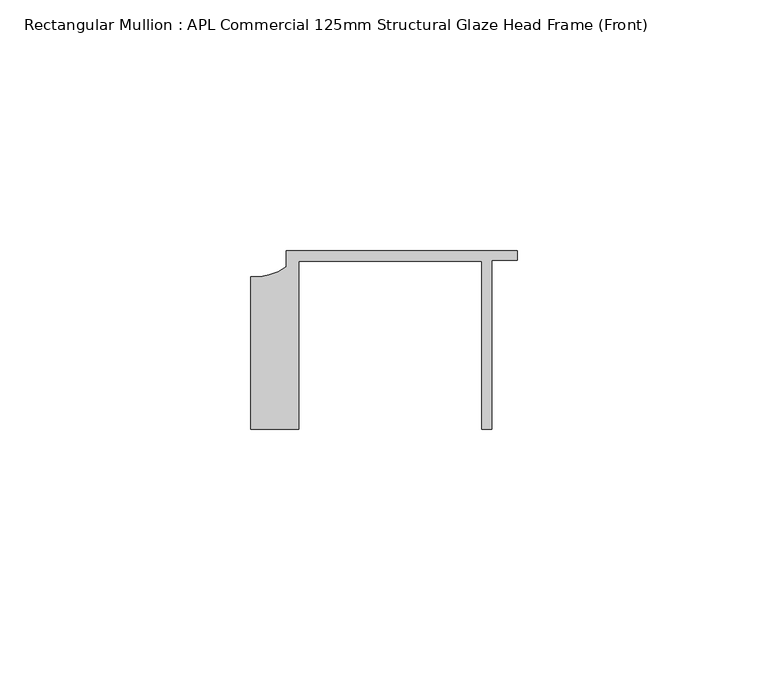
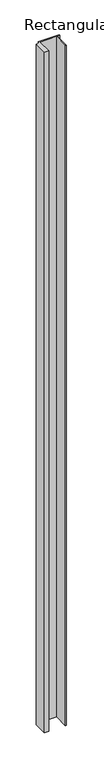
"""IFC4 building model written with IfcOpenShell, lengths in millimetres: member geometry, Rectangular Mullion : APL Commercial 125mm Structural Glaze Head Frame (Front)."""

from ifc_helpers import new_model, si_unit, point, frame, frame_2d, origin, place, context, project, spatial, polyline, circle_curve, trimmed, segment, composite_curve, outline, extrude, source, transform, mapped, element, save


def rectangular_mullion_apl_commercial_125mm_structural_glaze_4bf1c42d(model_context):
    return source(origin(), model_context, "Body", "SweptSolid", [
        extrude(outline(composite_curve([segment(polyline([(-52.9999542, -15.0), (-52.9999542, 15.3798304)]), True, "CONTINUOUS"), segment(trimmed(circle_curve(frame_2d((-52.109817, 25.7982641)), 10.4563907), [point((-52.9999542, 15.3798304))], [point((-45.9999994, 17.3126154))], True, "CARTESIAN"), True, "CONTINUOUS"), segment(polyline([(-45.9999994, 17.3126154), (-45.9999994, 20.5002486), (0.0, 20.5002486), (0.0, 18.7002486), (-5.0, 18.7002486), (-5.0, -15.0), (-7.0, -15.0), (-7.0, 18.5002486), (-43.5000151, 18.5002486), (-43.5000151, -15.0), (-52.9999542, -15.0)]), True, "CONTINUOUS")], self_intersect=False)), frame((0.0, 0.0, -1568.0001218), z_axis=(0.0, 0.0, 1.0), x_axis=(1.0, 0.0, 0.0)), (0.0, 0.0, 1.0), 1568.0001218),
    ])


if __name__ == "__main__":
    model = new_model("IFC4")
    model_context = context("Model", 3, world=origin())
    ifc_project = project(units=[si_unit("LENGTHUNIT", "METRE", prefix="MILLI")], contexts=[model_context])
    site = spatial("IfcSite", under=ifc_project)
    building = spatial("IfcBuilding", under=site)
    placement = place(None, origin())
    rectangular_mullion_apl_commercial_125mm_structural_glaze_shape = rectangular_mullion_apl_commercial_125mm_structural_glaze_4bf1c42d(model_context)
    element("IfcMember", 1, ObjectType="Rectangular Mullion : APL Commercial 125mm Structural Glaze Head Frame (Front)", at=placement, inside=building, context=model_context, shape_type="MappedRepresentation", body=[
        mapped(rectangular_mullion_apl_commercial_125mm_structural_glaze_shape, transform((0.0, 0.0, 0.0), x_axis=(1.0, 0.0, 0.0), y_axis=(0.0, 1.0, 0.0), z_axis=(0.0, 0.0, 1.0))),
    ])
    save(model, "model.ifc")
